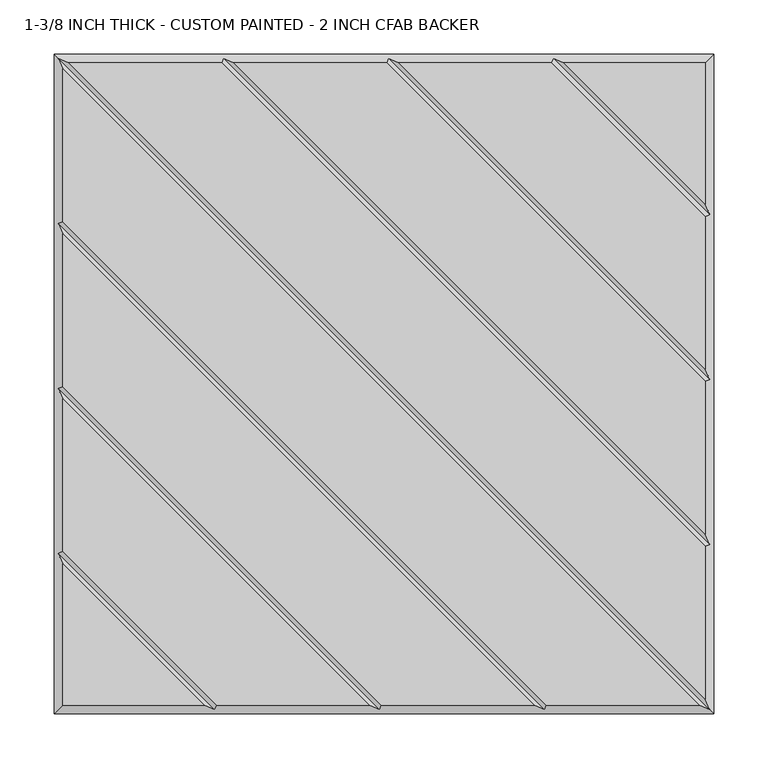
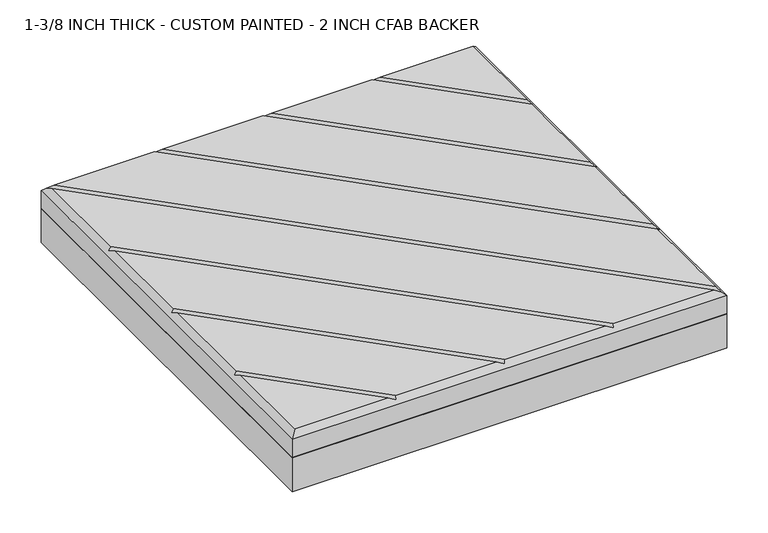
"""IFC4 building model written with IfcOpenShell, lengths in millimetres: proxy geometry, 1-3/8 INCH THICK - CUSTOM PAINTED - 2 INCH CFAB BACKER."""

from ifc_helpers import new_model, si_unit, frame, origin, place, context, project, spatial, polyline, outline, extrude, faceted_brep, source, transform, mapped, element, save


def proxy_1_3_8_inch_thick_custom_painted_2_inch_cfab_backer_6e3f0fe2(model_context):
    return source(origin(), model_context, "Body", "SolidModel", [
        extrude(outline(polyline([(-304.8, 304.8), (304.8, 304.8), (304.8, -304.8), (-304.8, -304.8), (-304.8, 304.8)])), frame((0.0, 0.0, -50.8), z_axis=(0.0, 0.0, 1.0), x_axis=(1.0, 0.0, 0.0)), (0.0, 0.0, 1.0), 50.8),
        faceted_brep([(-291.1414386, 296.799, 34.925), (296.799, -291.1414386, 34.925), (296.799, -150.0565868, 34.925), (-150.0565868, 296.799, 34.925), (291.1414386, -296.799, 34.925), (-296.799, 291.1414386, 34.925), (-296.799, 150.0565868, 34.925), (150.0565868, -296.799, 34.925), (138.741464, -296.799, 34.925), (-296.799, 138.741464, 34.925), (-296.799, -2.3434132, 34.925), (-2.3434132, -296.799, 34.925), (-13.658536, -296.799, 34.925), (-296.799, -13.658536, 34.925), (-296.799, -154.7434132, 34.925), (-154.7434132, -296.799, 34.925), (-296.799, -166.058536, 34.925), (-296.799, -296.799, 34.925), (-166.058536, -296.799, 34.925), (-138.741464, 296.799, 34.925), (296.799, -138.741464, 34.925), (296.799, 2.3434132, 34.925), (2.3434132, 296.799, 34.925), (13.658536, 296.799, 34.925), (296.799, 13.658536, 34.925), (296.799, 154.7434132, 34.925), (154.7434132, 296.799, 34.925), (296.799, 296.799, 34.925), (166.058536, 296.799, 34.925), (296.799, 166.058536, 34.925), (-304.8, 304.8, 0.0), (304.8, 304.8, 0.0), (304.8, -304.8, 0.0), (-304.8, -304.8, 0.0), (-304.8, -304.8, 26.924), (-304.8, 304.8, 26.924), (304.8, -304.8, 26.924), (304.8, 304.8, 26.924), (-300.7995, 300.7995, 30.9245), (-148.3995254, 300.7995, 30.9245), (4.0004746, 300.7995, 30.9245), (156.4004746, 300.7995, 30.9245), (-300.7995, -156.4004746, 30.9245), (-300.7995, -4.0004746, 30.9245), (-300.7995, 148.3995254, 30.9245), (300.7995, -300.7995, 30.9245), (148.3995254, -300.7995, 30.9245), (-4.0004746, -300.7995, 30.9245), (-156.4004746, -300.7995, 30.9245), (300.7995, 156.4004746, 30.9245), (300.7995, 4.0004746, 30.9245), (300.7995, -148.3995254, 30.9245)], [[[0, 1, 2, 3]], [[4, 5, 6, 7]], [[8, 9, 10, 11]], [[12, 13, 14, 15]], [[16, 17, 18]], [[19, 20, 21, 22]], [[23, 24, 25, 26]], [[27, 28, 29]], [[30, 31, 32, 33]], [[30, 33, 34, 35]], [[33, 32, 36, 34]], [[32, 31, 37, 36]], [[31, 30, 35, 37]], [[27, 37, 35, 38, 0, 3, 39, 19, 22, 40, 23, 26, 41, 28]], [[34, 17, 16, 42, 14, 13, 43, 10, 9, 44, 6, 5, 38, 35]], [[17, 34, 36, 45, 4, 7, 46, 8, 11, 47, 12, 15, 48, 18]], [[37, 27, 29, 49, 25, 24, 50, 21, 20, 51, 2, 1, 45, 36]], [[38, 45, 1, 0]], [[45, 38, 5, 4]], [[44, 46, 7, 6]], [[46, 44, 9, 8]], [[43, 47, 11, 10]], [[47, 43, 13, 12]], [[42, 48, 15, 14]], [[48, 42, 16, 18]], [[51, 39, 3, 2]], [[39, 51, 20, 19]], [[50, 40, 22, 21]], [[40, 50, 24, 23]], [[49, 41, 26, 25]], [[41, 49, 29, 28]]]),
    ])


if __name__ == "__main__":
    model = new_model("IFC4")
    model_context = context("Model", 3, world=origin())
    ifc_project = project(units=[si_unit("LENGTHUNIT", "METRE", prefix="MILLI")], contexts=[model_context])
    site = spatial("IfcSite", under=ifc_project)
    building = spatial("IfcBuilding", under=site)
    placement = place(None, origin())
    proxy_1_3_8_inch_thick_custom_painted_2_inch_cfab_backer_shape = proxy_1_3_8_inch_thick_custom_painted_2_inch_cfab_backer_6e3f0fe2(model_context)
    element("IfcBuildingElementProxy", 1, Name="1-3/8 INCH THICK - CUSTOM PAINTED - 2 INCH CFAB BACKER", ObjectType="1-3/8 INCH THICK - CUSTOM PAINTED - 2 INCH CFAB BACKER", at=placement, inside=building, context=model_context, shape_type="MappedRepresentation", body=[
        mapped(proxy_1_3_8_inch_thick_custom_painted_2_inch_cfab_backer_shape, transform((0.0, 0.0, 0.0), x_axis=(1.0, 0.0, 0.0), y_axis=(0.0, 1.0, 0.0), z_axis=(0.0, 0.0, 1.0))),
    ])
    save(model, "model.ifc")
